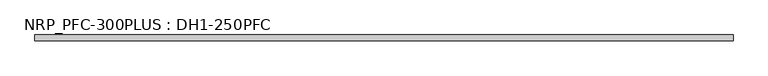
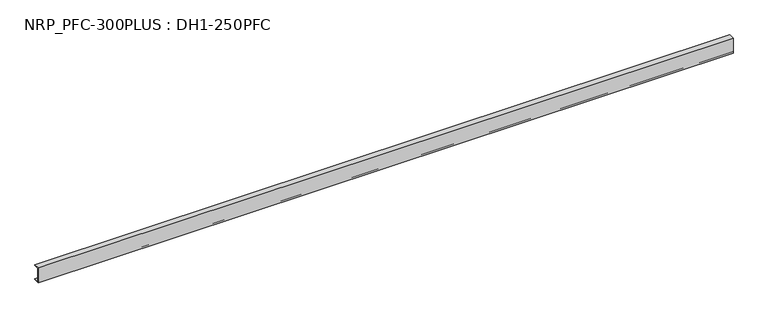
"""IFC4 building model written with IfcOpenShell, lengths in millimetres: beam geometry, NRP_PFC-300PLUS : DH1-250PFC."""

from ifc_helpers import new_model, si_unit, point, frame, frame_2d, origin, place, context, project, spatial, polyline, circle_curve, trimmed, segment, composite_curve, outline, extrude, source, transform, mapped, element, save


def nrp_pfc_300plus_dh1_250pfc_0f19cc20(model_context):
    return source(origin(), model_context, "Body", "SweptSolid", [
        extrude(outline(composite_curve([segment(polyline([(-28.6, 125.0), (61.4, 125.0), (61.4, 110.0), (-8.6, 110.0)]), True, "CONTINUOUS"), segment(trimmed(circle_curve(frame_2d((-8.6, 98.0)), 12.0), [point((-8.6, 110.0))], [point((-20.6, 98.0))], True, "CARTESIAN"), True, "CONTINUOUS"), segment(polyline([(-20.6, 98.0), (-20.6, -98.0)]), True, "CONTINUOUS"), segment(trimmed(circle_curve(frame_2d((-8.6, -98.0)), 12.0), [point((-20.6, -98.0))], [point((-8.6, -110.0))], True, "CARTESIAN"), True, "CONTINUOUS"), segment(polyline([(-8.6, -110.0), (61.4, -110.0), (61.4, -125.0), (-28.6, -125.0), (-28.6, 125.0)]), True, "CONTINUOUS")], self_intersect=False)), frame((-5527.5, 0.0, 0.0), z_axis=(1.0, 0.0, 0.0), x_axis=(0.0, 1.0, 0.0)), (0.0, 0.0, 1.0), 11055.0),
    ])


if __name__ == "__main__":
    model = new_model("IFC4")
    model_context = context("Model", 3, world=origin())
    ifc_project = project(units=[si_unit("LENGTHUNIT", "METRE", prefix="MILLI")], contexts=[model_context])
    site = spatial("IfcSite", under=ifc_project)
    building = spatial("IfcBuilding", under=site)
    placement = place(None, origin())
    nrp_pfc_300plus_dh1_250pfc_shape = nrp_pfc_300plus_dh1_250pfc_0f19cc20(model_context)
    element("IfcBeam", 1, ObjectType="NRP_PFC-300PLUS : DH1-250PFC", at=placement, inside=building, context=model_context, shape_type="MappedRepresentation", body=[
        mapped(nrp_pfc_300plus_dh1_250pfc_shape, transform((0.0, 0.0, 0.0), x_axis=(1.0, 0.0, 0.0), y_axis=(0.0, 1.0, 0.0), z_axis=(0.0, 0.0, 1.0))),
    ])
    save(model, "model.ifc")
